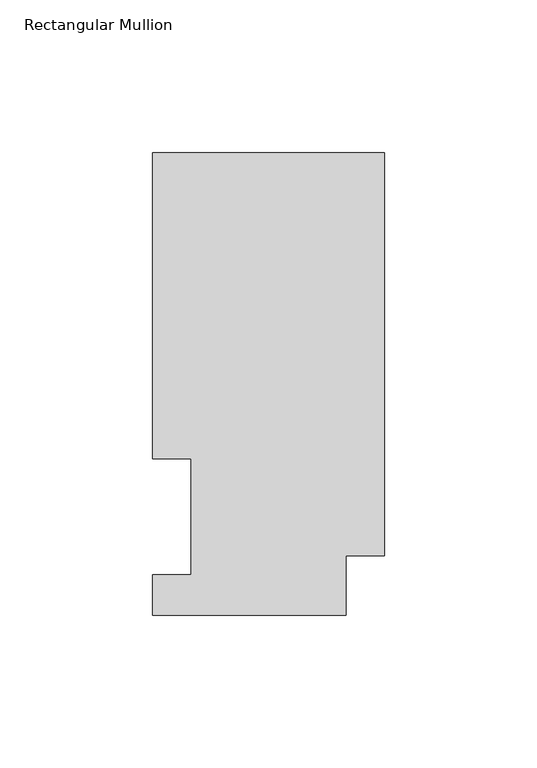
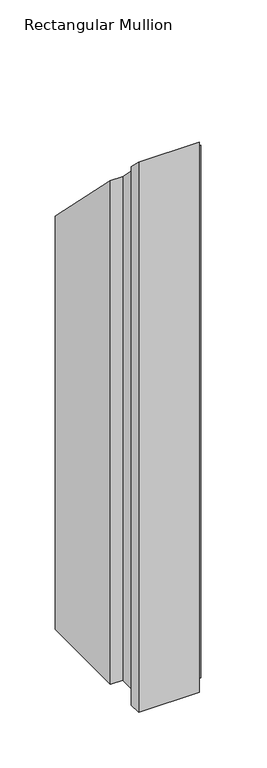
"""IFC4 building model written with IfcOpenShell, lengths in millimetres: member geometry, Rectangular Mullion."""

from ifc_helpers import new_model, si_unit, origin, place, context, project, spatial, faceted_brep, source, transform, mapped, element, save


def rectangular_mullion_184168c0(model_context):
    return source(origin(), model_context, "Body", "Brep", [
        faceted_brep([(0.0, 151.7027918, -609.56825), (0.0, 19.5460937, -609.56825), (-12.7, 19.5460937, -609.56825), (-12.7, 0.0139918, -609.56825), (-76.2, 0.0139918, -609.56825), (-76.2, 13.1965918, -609.56825), (-63.5, 13.1965918, -609.56825), (-63.5, 51.2960938, -609.56825), (-76.2, 51.2960938, -609.56825), (-76.2, 151.7027918, -609.56825), (-76.2, 151.7027918, -151.7027918), (0.0, 151.7027918, -151.7027918), (-76.2, 51.2960938, -51.2960937), (-63.5, 51.2960938, -51.2960937), (-63.5, 13.1965918, -13.1965918), (-76.2, 13.1965918, -13.1965918), (-76.2, 0.0139918, -0.0139918), (-12.7, 0.0139918, -0.0139918), (-12.7, 19.5460937, -19.5460937), (0.0, 19.5460937, -19.5460937)], [[[0, 1, 2, 3, 4, 5, 6, 7, 8, 9]], [[10, 11, 0, 9]], [[12, 10, 9, 8]], [[13, 12, 8, 7]], [[14, 13, 7, 6]], [[15, 14, 6, 5]], [[16, 15, 5, 4]], [[17, 16, 4, 3]], [[18, 17, 3, 2]], [[19, 18, 2, 1]], [[11, 19, 1, 0]], [[11, 10, 12, 13, 14, 15, 16, 17, 18, 19]]]),
    ])


if __name__ == "__main__":
    model = new_model("IFC4")
    model_context = context("Model", 3, world=origin())
    ifc_project = project(units=[si_unit("LENGTHUNIT", "METRE", prefix="MILLI")], contexts=[model_context])
    site = spatial("IfcSite", under=ifc_project)
    building = spatial("IfcBuilding", under=site)
    placement = place(None, origin())
    rectangular_mullion_shape = rectangular_mullion_184168c0(model_context)
    element("IfcMember", 1, ObjectType="Rectangular Mullion", at=placement, inside=building, context=model_context, shape_type="MappedRepresentation", body=[
        mapped(rectangular_mullion_shape, transform((0.0, 0.0, 0.0), x_axis=(1.0, 0.0, 0.0), y_axis=(0.0, 1.0, 0.0), z_axis=(0.0, 0.0, 1.0))),
    ])
    save(model, "model.ifc")
